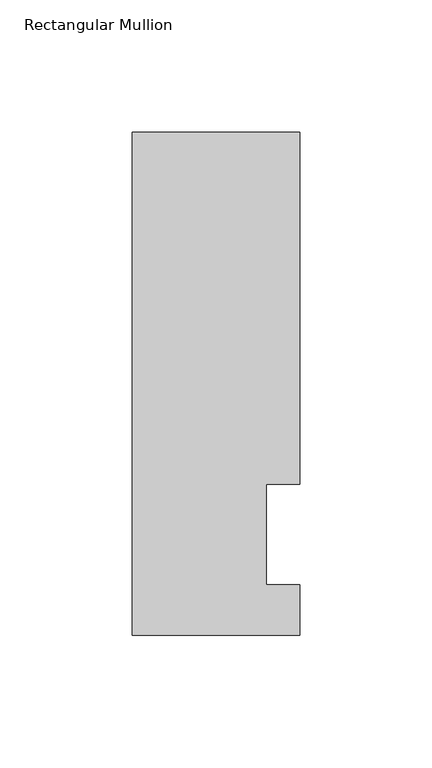
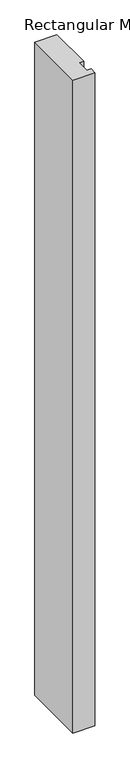
"""IFC4 building model written with IfcOpenShell, lengths in millimetres: member geometry, Rectangular Mullion."""

from ifc_helpers import new_model, si_unit, frame, origin, place, context, project, spatial, polyline, outline, extrude, source, transform, mapped, element, save


def rectangular_mullion_70a962e4(model_context):
    return source(origin(), model_context, "Body", "SweptSolid", [
        extrude(outline(polyline([(19.0500001, 57.94375), (19.0500001, 19.84375), (31.7499995, 19.84375), (31.7499995, 0.7799873), (-31.7500005, 0.7799873), (-31.7500005, 191.29375), (31.75, 191.29375), (31.75, 57.94375), (19.0500001, 57.94375)])), frame((0.0, 0.0, -1993.9), z_axis=(0.0, 0.0, 1.0), x_axis=(1.0, 0.0, 0.0)), (0.0, 0.0, 1.0), 1993.9),
    ])


if __name__ == "__main__":
    model = new_model("IFC4")
    model_context = context("Model", 3, world=origin())
    ifc_project = project(units=[si_unit("LENGTHUNIT", "METRE", prefix="MILLI")], contexts=[model_context])
    site = spatial("IfcSite", under=ifc_project)
    building = spatial("IfcBuilding", under=site)
    placement = place(None, origin())
    rectangular_mullion_shape = rectangular_mullion_70a962e4(model_context)
    element("IfcMember", 1, ObjectType="Rectangular Mullion", at=placement, inside=building, context=model_context, shape_type="MappedRepresentation", body=[
        mapped(rectangular_mullion_shape, transform((0.0, 0.0, 0.0), x_axis=(1.0, 0.0, 0.0), y_axis=(0.0, 1.0, 0.0), z_axis=(0.0, 0.0, 1.0))),
    ])
    save(model, "model.ifc")
